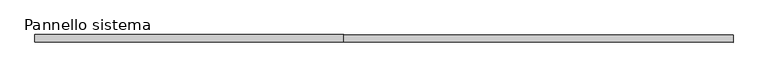
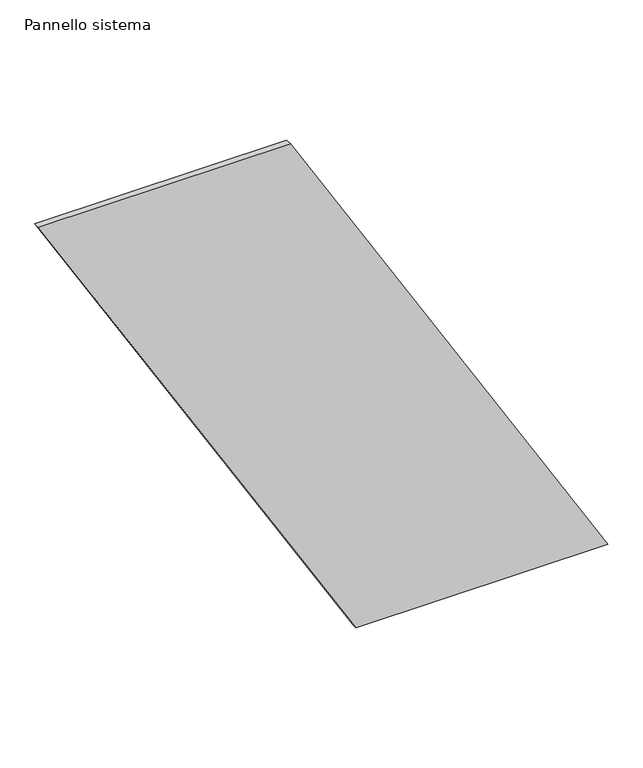
"""IFC4 building model written with IfcOpenShell, lengths in millimetres: plate geometry, Pannello sistema."""

from ifc_helpers import new_model, si_unit, frame, origin, place, context, project, spatial, polyline, outline, extrude, source, transform, mapped, element, save


def pannello_sistema_63cb921b(model_context):
    return source(origin(), model_context, "Body", "SweptSolid", [
        extrude(outline(polyline([(0.0, 133.848708), (0.0, 1163.0952769), (2184.3026168, -133.848708), (2184.3026168, -1163.0952769), (0.0, 133.848708)])), frame((0.0, -12.5, 0.0), z_axis=(0.0, 1.0, 0.0), x_axis=(0.0, 0.0, 1.0)), (0.0, 0.0, 1.0), 25.0),
    ])


if __name__ == "__main__":
    model = new_model("IFC4")
    model_context = context("Model", 3, world=origin())
    ifc_project = project(units=[si_unit("LENGTHUNIT", "METRE", prefix="MILLI")], contexts=[model_context])
    site = spatial("IfcSite", under=ifc_project)
    building = spatial("IfcBuilding", under=site)
    placement = place(None, origin())
    pannello_sistema_shape = pannello_sistema_63cb921b(model_context)
    element("IfcPlate", 1, ObjectType="Pannello sistema", at=placement, inside=building, context=model_context, shape_type="MappedRepresentation", body=[
        mapped(pannello_sistema_shape, transform((0.0, 0.0, 0.0), x_axis=(1.0, 0.0, 0.0), y_axis=(0.0, 1.0, 0.0), z_axis=(0.0, 0.0, 1.0))),
    ])
    save(model, "model.ifc")
